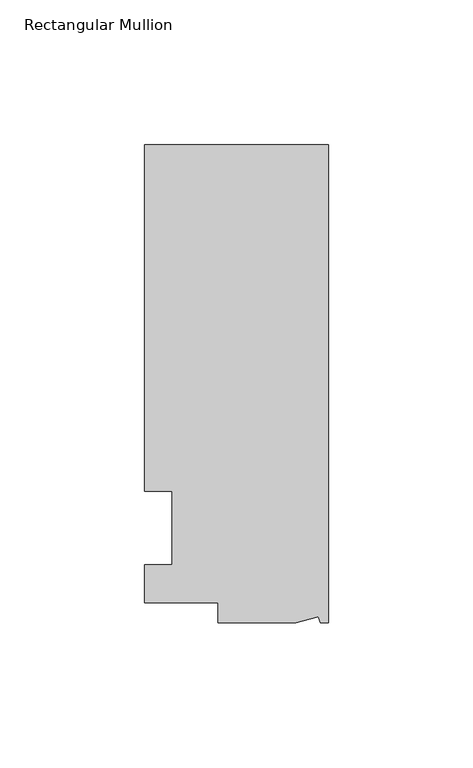
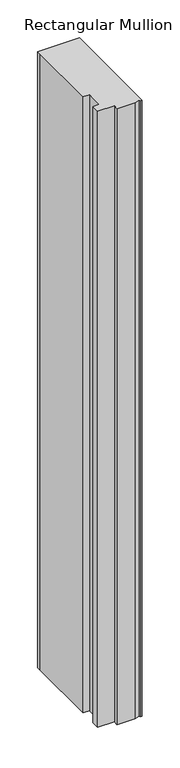
"""IFC4 building model written with IfcOpenShell, lengths in millimetres: member geometry, Rectangular Mullion."""

from ifc_helpers import new_model, si_unit, frame, origin, place, context, project, spatial, polyline, outline, extrude, source, transform, mapped, element, save


def rectangular_mullion_efa3b2b8(model_context):
    return source(origin(), model_context, "Body", "SweptSolid", [
        extrude(outline(polyline([(0.0, 132.5561012), (0.0, -32.5438988), (-2.7616541, -32.5438988), (-3.3341886, -30.4622958), (-11.121847, -32.5438988), (-38.1, -32.5438988), (-38.1, -25.5842988), (-63.5, -25.5842988), (-63.5, -12.5945801), (-53.975, -12.5945801), (-53.975, 12.8054199), (-63.5, 12.8054199), (-63.5, 126.2061012), (-63.5, 132.5561012), (0.0, 132.5561012)])), frame((0.0, 0.0, -990.6), z_axis=(0.0, 0.0, 1.0), x_axis=(1.0, 0.0, 0.0)), (0.0, 0.0, 1.0), 990.6),
    ])


if __name__ == "__main__":
    model = new_model("IFC4")
    model_context = context("Model", 3, world=origin())
    ifc_project = project(units=[si_unit("LENGTHUNIT", "METRE", prefix="MILLI")], contexts=[model_context])
    site = spatial("IfcSite", under=ifc_project)
    building = spatial("IfcBuilding", under=site)
    placement = place(None, origin())
    rectangular_mullion_shape = rectangular_mullion_efa3b2b8(model_context)
    element("IfcMember", 1, ObjectType="Rectangular Mullion", at=placement, inside=building, context=model_context, shape_type="MappedRepresentation", body=[
        mapped(rectangular_mullion_shape, transform((0.0, 0.0, 0.0), x_axis=(1.0, 0.0, 0.0), y_axis=(0.0, 1.0, 0.0), z_axis=(0.0, 0.0, 1.0))),
    ])
    save(model, "model.ifc")
